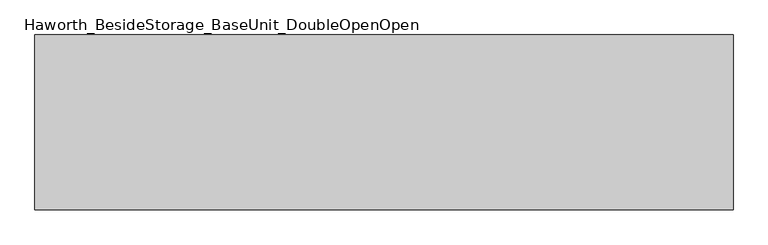
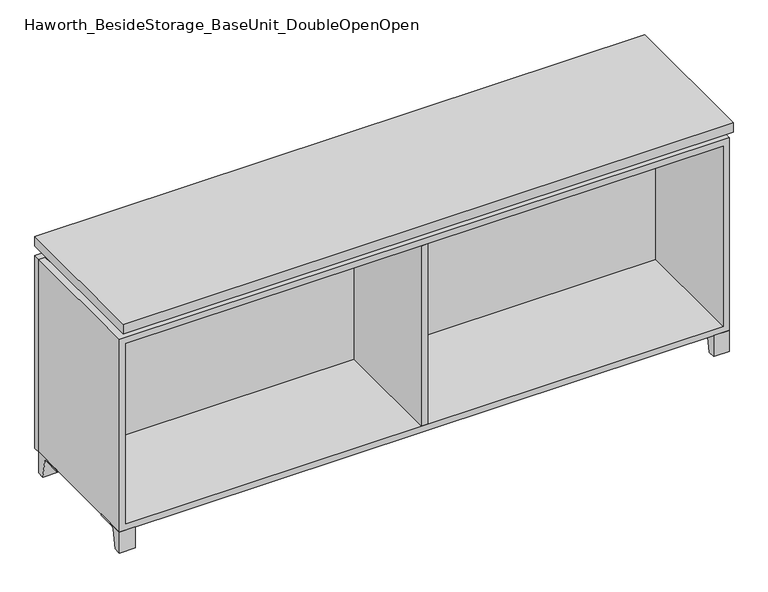
"""IFC4 building model written with IfcOpenShell, lengths in millimetres: furniture geometry, Haworth_BesideStorage_BaseUnit_DoubleOpenOpen."""

from ifc_helpers import new_model, si_unit, point, frame, frame_2d, origin, place, context, project, spatial, polyline, circle_curve, trimmed, segment, composite_curve, outline, extrude, faceted_brep, source, transform, mapped, element, save


def haworth_besidestorage_baseunit_doubleopenopen_9dfc1018(model_context):
    return source(origin(), model_context, "Body", "SolidModel", [
        extrude(outline(composite_curve([segment(polyline([(44.9791531, 0.0), (22.225, 0.0), (22.225, 66.675), (117.475, 66.675), (117.475, 61.8963321), (60.6744655, 61.8963321)]), True, "CONTINUOUS"), segment(trimmed(circle_curve(frame_2d((60.6744655, 55.5463321)), 6.35), [point((60.6744655, 61.8963321))], [point((54.4108641, 56.5902656))], True, "CARTESIAN"), True, "CONTINUOUS"), segment(polyline([(54.4108641, 56.5902656), (44.9791531, 0.0)]), True, "CONTINUOUS")], self_intersect=False)), frame((-23.7986094, 0.0, 0.0), z_axis=(1.0, 0.0, 0.0), x_axis=(0.0, 1.0, 0.0)), (0.0, 0.0, 1.0), 47.625),
        extrude(outline(composite_curve([segment(polyline([(-123.2958469, 0.0), (-146.05, 0.0), (-146.05, 66.675), (-50.8, 66.675), (-50.8, 61.8963321), (-107.6005345, 61.8963321)]), True, "CONTINUOUS"), segment(trimmed(circle_curve(frame_2d((-107.6005345, 55.5463321)), 6.35), [point((-107.6005345, 61.8963321))], [point((-113.8641359, 56.5902656))], True, "CARTESIAN"), True, "CONTINUOUS"), segment(polyline([(-113.8641359, 56.5902656), (-123.2958469, 0.0)]), True, "CONTINUOUS")], self_intersect=False)), frame((865.2013906, 0.0, 0.0), z_axis=(1.0, 0.0, 0.0), x_axis=(0.0, 1.0, 0.0)), (0.0, 0.0, 1.0), 47.625),
        extrude(outline(composite_curve([segment(polyline([(250.2958469, 0.0), (240.8641359, 56.5902656)]), True, "CONTINUOUS"), segment(trimmed(circle_curve(frame_2d((234.6005345, 55.5463321)), 6.35), [point((240.8641359, 56.5902656))], [point((234.6005345, 61.8963321))], True, "CARTESIAN"), True, "CONTINUOUS"), segment(polyline([(234.6005345, 61.8963321), (177.8, 61.8963321), (177.8, 66.675), (273.05, 66.675), (273.05, 0.0), (250.2958469, 0.0)]), True, "CONTINUOUS")], self_intersect=False)), frame((865.2013906, 0.0, 0.0), z_axis=(1.0, 0.0, 0.0), x_axis=(0.0, 1.0, 0.0)), (0.0, 0.0, 1.0), 47.625),
        extrude(outline(composite_curve([segment(polyline([(-123.2958469, 0.0), (-146.05, 0.0), (-146.05, 66.675), (-50.8, 66.675), (-50.8, 61.8963321), (-107.6005345, 61.8963321)]), True, "CONTINUOUS"), segment(trimmed(circle_curve(frame_2d((-107.6005345, 55.5463321)), 6.35), [point((-107.6005345, 61.8963321))], [point((-113.8641359, 56.5902656))], True, "CARTESIAN"), True, "CONTINUOUS"), segment(polyline([(-113.8641359, 56.5902656), (-123.2958469, 0.0)]), True, "CONTINUOUS")], self_intersect=False)), frame((-912.7986094, 0.0, 0.0), z_axis=(1.0, 0.0, 0.0), x_axis=(0.0, 1.0, 0.0)), (0.0, 0.0, 1.0), 47.625),
        extrude(outline(composite_curve([segment(polyline([(250.2958469, 0.0), (240.8641359, 56.5902656)]), True, "CONTINUOUS"), segment(trimmed(circle_curve(frame_2d((234.6005345, 55.5463321)), 6.35), [point((240.8641359, 56.5902656))], [point((234.6005345, 61.8963321))], True, "CARTESIAN"), True, "CONTINUOUS"), segment(polyline([(234.6005345, 61.8963321), (177.8, 61.8963321), (177.8, 66.675), (273.05, 66.675), (273.05, 0.0), (250.2958469, 0.0)]), True, "CONTINUOUS")], self_intersect=False)), frame((-912.7986094, 0.0, 0.0), z_axis=(1.0, 0.0, 0.0), x_axis=(0.0, 1.0, 0.0)), (0.0, 0.0, 1.0), 47.625),
        faceted_brep([(-912.7986094, -146.05, 66.675), (912.8125, -146.05, 66.675), (912.8125, -146.05, 676.275), (-912.7986094, -146.05, 676.275), (-893.7486094, -146.05, 85.725), (-893.7486094, -146.05, 657.225), (893.7694453, -146.05, 657.225), (893.7486094, -146.05, 85.725), (-912.7986094, 273.05, 66.675), (-912.7986094, 273.05, 676.275), (-893.7486094, 273.05, 676.275), (-893.7486094, 273.05, 85.725), (893.7486094, 273.05, 85.725), (893.7486094, 273.05, 676.275), (912.8125, 273.05, 676.275), (912.8125, 273.05, 66.675), (893.7486094, 247.65, 676.275), (-893.7416641, 247.65, 676.275), (-893.7486094, 247.65, 657.225), (893.7486094, 247.65, 657.225)], [[[0, 1, 2, 3], [4, 5, 6, 7]], [[8, 9, 10, 11, 12, 13, 14, 15]], [[1, 0, 8, 15]], [[2, 1, 15, 14]], [[3, 2, 14, 13, 16, 17, 10, 9]], [[0, 3, 9, 8]], [[11, 10, 17, 18, 5, 4]], [[13, 12, 7, 6, 19, 16]], [[4, 7, 12, 11]], [[6, 5, 18, 19]], [[17, 16, 19, 18]]]),
        extrude(outline(polyline([(912.8263906, -165.1), (-912.7986094, -165.1), (-912.7986094, 292.1), (912.8263906, 292.1), (912.8263906, -165.1)])), frame((0.0, 0.0, 706.4375), z_axis=(0.0, 0.0, 1.0), x_axis=(1.0, 0.0, 0.0)), (0.0, 0.0, 1.0), 30.1625),
        faceted_brep([(7.9513906, -69.85, 706.4375), (7.9513906, -69.85, 676.275), (7.9513906, 53.975, 676.275), (7.9513906, 53.975, 706.4375), (7.9513906, 196.85, 676.275), (7.9513906, 196.85, 706.4375), (7.9513906, 73.025, 706.4375), (7.9513906, 73.025, 676.275), (-7.9236094, 196.85, 706.4375), (-7.9236094, 196.85, 676.275), (-7.9236094, 73.025, 676.275), (-7.9236094, 73.025, 706.4375), (-7.9236094, -69.85, 676.275), (-7.9236094, -69.85, 706.4375), (-7.9236094, 53.975, 706.4375), (-7.9236094, 53.975, 676.275), (-871.4958281, 73.025, 706.4375), (-871.5166641, 247.65, 706.4375), (-887.3916641, 247.65, 706.4375), (-887.3916641, -120.65, 706.4375), (-871.5166641, -120.65, 706.4375), (-871.5166641, 53.975, 706.4375), (871.5236094, 53.975, 706.4375), (871.5236094, -120.65, 706.4375), (887.3986094, -120.65, 706.4375), (887.3986094, 247.65, 706.4375), (871.5236094, 247.65, 706.4375), (871.5236094, 73.025, 706.4375), (-871.4958281, 53.975, 676.275), (-871.5166641, -120.65, 676.275), (-887.3916641, -120.65, 676.275), (-887.3916641, 247.65, 676.275), (-871.5166641, 247.65, 676.275), (-871.5166641, 73.025, 676.275), (871.5236094, 73.025, 676.275), (871.5236094, 247.65, 676.275), (887.3986094, 247.65, 676.275), (887.3986094, -120.65, 676.275), (871.5236094, -120.65, 676.275), (871.5236094, 53.975, 676.275)], [[[0, 1, 2, 3]], [[4, 5, 6, 7]], [[8, 9, 10, 11]], [[12, 13, 14, 15]], [[5, 8, 11, 16, 17, 18, 19, 20, 21, 14, 13, 0, 3, 22, 23, 24, 25, 26, 27, 6]], [[1, 12, 15, 28, 29, 30, 31, 32, 33, 10, 9, 4, 7, 34, 35, 36, 37, 38, 39, 2]], [[5, 4, 9, 8]], [[1, 0, 13, 12]], [[6, 27, 34, 7]], [[22, 3, 2, 39]], [[20, 29, 28, 21]], [[32, 17, 16, 33]], [[18, 31, 30, 19]], [[29, 20, 19, 30]], [[17, 32, 31, 18]], [[26, 35, 34, 27]], [[38, 23, 22, 39]], [[25, 24, 37, 36]], [[23, 38, 37, 24]], [[35, 26, 25, 36]], [[16, 11, 10, 33]], [[14, 21, 28, 15]]]),
        extrude(outline(polyline([(9.5388906, 203.2), (9.5388906, -146.05), (-9.5111094, -146.05), (-9.5111094, 203.2), (9.5388906, 203.2)])), frame((0.0, 0.0, 85.725), z_axis=(0.0, 0.0, 1.0), x_axis=(1.0, 0.0, 0.0)), (0.0, 0.0, 1.0), 571.5),
        extrude(outline(polyline([(912.8263906, 273.05), (-912.7986094, 273.05), (-912.7986094, 292.1), (912.8263906, 292.1), (912.8263906, 273.05)])), frame((0.0, 0.0, 66.675), z_axis=(0.0, 0.0, 1.0), x_axis=(1.0, 0.0, 0.0)), (0.0, 0.0, 1.0), 609.6),
        extrude(outline(polyline([(-893.7416641, 203.2), (-893.7416641, 209.55), (893.7694453, 209.55), (893.7694453, 203.2), (-893.7416641, 203.2)])), frame((0.0, 0.0, 85.725), z_axis=(0.0, 0.0, 1.0), x_axis=(1.0, 0.0, 0.0)), (0.0, 0.0, 1.0), 571.5),
    ])


if __name__ == "__main__":
    model = new_model("IFC4")
    model_context = context("Model", 3, world=origin())
    ifc_project = project(units=[si_unit("LENGTHUNIT", "METRE", prefix="MILLI")], contexts=[model_context])
    site = spatial("IfcSite", under=ifc_project)
    building = spatial("IfcBuilding", under=site)
    placement = place(None, origin())
    haworth_besidestorage_baseunit_doubleopenopen_shape = haworth_besidestorage_baseunit_doubleopenopen_9dfc1018(model_context)
    element("IfcFurniture", 1, ObjectType="Haworth_BesideStorage_BaseUnit_DoubleOpenOpen", at=placement, inside=building, context=model_context, shape_type="MappedRepresentation", body=[
        mapped(haworth_besidestorage_baseunit_doubleopenopen_shape, transform((0.0, 0.0, 0.0), x_axis=(1.0, 0.0, 0.0), y_axis=(0.0, 1.0, 0.0), z_axis=(0.0, 0.0, 1.0))),
    ])
    save(model, "model.ifc")
